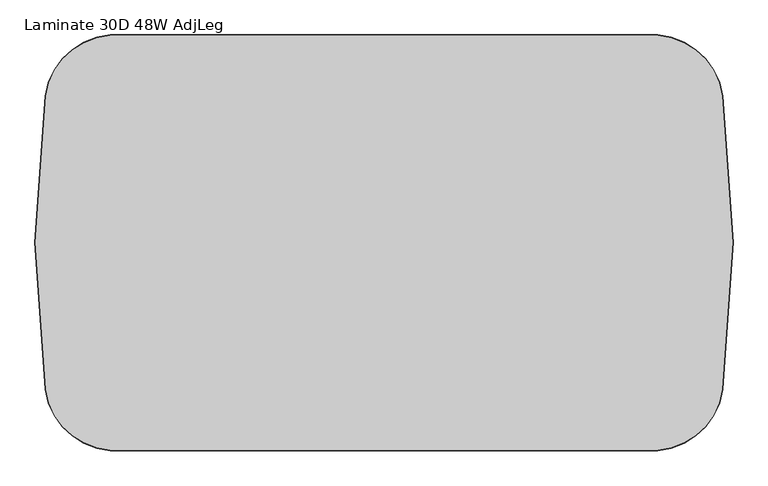
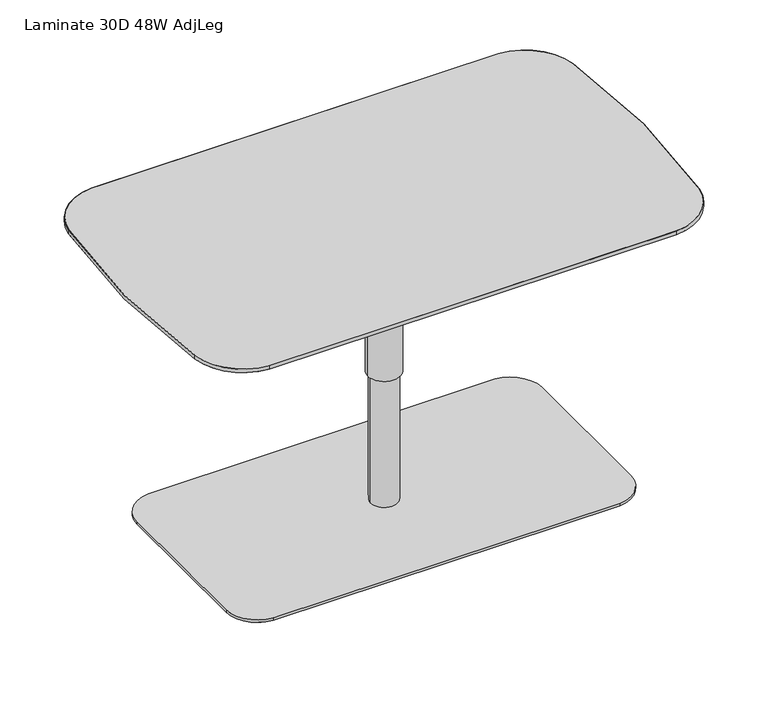
"""IFC4 building model written with IfcOpenShell, lengths in millimetres: furniture geometry, Laminate 30D 48W AdjLeg."""

from ifc_helpers import new_model, si_unit, point, frame, frame_2d, origin, origin_with_axes, origin_2d, place, context, project, spatial, polyline, circle_curve, trimmed, segment, composite_curve, outline, extrude, source, transform, mapped, element, save
from ifc_brep_helpers import plane_surface, cylinder_surface, revolved_surface, advanced_brep


def laminate_30d_48w_adjleg_e43ac8bc(model_context):
    return source(origin(), model_context, "Body", "SolidModel", [
        advanced_brep(
        [(-477.6487193, 362.5571936, 746.1250242), (-591.0027731, 256.3253776, 746.1250242), (-591.0027731, -256.3253776, 746.1250242), (-477.6487193, -362.5571936, 746.1250242), (477.6487193, -362.5571936, 746.1250242), (591.0027731, -256.3253776, 746.1250242), (591.0027731, 256.3253776, 746.1250242), (477.6487193, 362.5571936, 746.1250242), (-477.6487193, 362.5571936, 737.2350145), (-591.0027731, 256.3253776, 737.2350145), (-591.0027731, -256.3253776, 737.2350145), (-477.6487193, -362.5571936, 737.2350145), (477.6487193, -362.5571936, 737.2350145), (591.0027731, -256.3253776, 737.2350145), (591.0027731, 256.3253776, 737.2350145), (477.6487193, 362.5571936, 737.2350145), (-546.9798776, 250.1781627, 720.7249758), (-474.3671769, 318.2284777, 720.7249758), (474.3671769, 318.2284777, 720.7249758), (546.9798776, 250.1781627, 720.7249758), (546.9798776, -250.1781627, 720.7249758), (474.3671769, -318.2284777, 720.7249758), (-474.3671769, -318.2284777, 720.7249758), (-546.9798776, -250.1781627, 720.7249758)],
        [
            (0, 1, circle_curve(frame((-468.5185333, 239.2220742, 746.1250242), z_axis=(0.0, 0.0, 1.0), x_axis=(-1.0, 0.0, 0.0)), 123.6726)),
            (1, 2, circle_curve(frame((1244.655417, 0.0, 746.1250242), z_axis=(0.0, 0.0, 1.0), x_axis=(-1.0, 0.0, 0.0)), 1853.468017)),
            (2, 3, circle_curve(frame((-468.5185333, -239.2220742, 746.1250242), z_axis=(0.0, 0.0, 1.0), x_axis=(-1.0, 0.0, 0.0)), 123.6726)),
            (3, 4, circle_curve(frame((0.0, 6089.7606066, 746.1250242), z_axis=(0.0, 0.0, 1.0), x_axis=(-1.0, 0.0, 0.0)), 6469.9732066)),
            (4, 5, circle_curve(frame((468.5185333, -239.2220742, 746.1250242), z_axis=(0.0, 0.0, 1.0), x_axis=(-1.0, 0.0, 0.0)), 123.6726)),
            (5, 6, circle_curve(frame((-1244.655417, 0.0, 746.1250242), z_axis=(0.0, 0.0, 1.0), x_axis=(-1.0, 0.0, 0.0)), 1853.468017)),
            (6, 7, circle_curve(frame((468.5185333, 239.2220742, 746.1250242), z_axis=(0.0, 0.0, 1.0), x_axis=(-1.0, 0.0, 0.0)), 123.6726)),
            (7, 0, circle_curve(frame((0.0, -6089.7606066, 746.1250242), z_axis=(0.0, 0.0, 1.0), x_axis=(-1.0, 0.0, 0.0)), 6469.9732066)),
            (0, 8),
            (8, 9, circle_curve(frame((-468.5185333, 239.2220742, 737.2350145), z_axis=(0.0, 0.0, 1.0), x_axis=(-1.0, 0.0, 0.0)), 123.6726)),
            (9, 1),
            (9, 10, circle_curve(frame((1244.655417, 0.0, 737.2350145), z_axis=(0.0, 0.0, 1.0), x_axis=(-1.0, 0.0, 0.0)), 1853.468017)),
            (10, 2),
            (10, 11, circle_curve(frame((-468.5185333, -239.2220742, 737.2350145), z_axis=(0.0, 0.0, 1.0), x_axis=(-1.0, 0.0, 0.0)), 123.6726)),
            (11, 3),
            (11, 12, circle_curve(frame((0.0, 6089.7606066, 737.2350145), z_axis=(0.0, 0.0, 1.0), x_axis=(-1.0, 0.0, 0.0)), 6469.9732066)),
            (12, 4),
            (12, 13, circle_curve(frame((468.5185333, -239.2220742, 737.2350145), z_axis=(0.0, 0.0, 1.0), x_axis=(-1.0, 0.0, 0.0)), 123.6726)),
            (13, 5),
            (13, 14, circle_curve(frame((-1244.655417, 0.0, 737.2350145), z_axis=(0.0, 0.0, 1.0), x_axis=(-1.0, 0.0, 0.0)), 1853.468017)),
            (14, 6),
            (14, 15, circle_curve(frame((468.5185333, 239.2220742, 737.2350145), z_axis=(0.0, 0.0, 1.0), x_axis=(-1.0, 0.0, 0.0)), 123.6726)),
            (15, 7),
            (15, 8, circle_curve(frame((0.0, -6089.7606066, 737.2350145), z_axis=(0.0, 0.0, 1.0), x_axis=(-1.0, 0.0, 0.0)), 6469.9732066)),
            (16, 17, circle_curve(frame((-468.5185333, 239.2220742, 720.7249758), z_axis=(0.0, 0.0, -1.0), x_axis=(-0.0738254555401482, 0.9972711778219049, 0.0)), 79.2225879)),
            (17, 18, circle_curve(frame((0.0, -6089.7606066, 720.7249758), z_axis=(0.0, 0.0, -1.0), x_axis=(0.07382545553907618, 0.9972711778219843, 0.0)), 6425.5231945)),
            (18, 19, circle_curve(frame((468.5185333, 239.2220742, 720.7249758), z_axis=(0.0, 0.0, -1.0), x_axis=(0.9903910794541498, 0.1382950098074545, 0.0)), 79.2225879)),
            (19, 20, circle_curve(frame((-1244.655417, 0.0, 720.7249758), z_axis=(0.0, 0.0, -1.0), x_axis=(0.9903910794541096, -0.13829500980774184, 0.0)), 1809.0180049)),
            (20, 21, circle_curve(frame((468.5185333, -239.2220742, 720.7249758), z_axis=(0.0, 0.0, -1.0), x_axis=(0.07382545554015114, -0.9972711778219048, 0.0)), 79.2225879)),
            (21, 22, circle_curve(frame((0.0, 6089.7606066, 720.7249758), z_axis=(0.0, 0.0, -1.0), x_axis=(-0.07382545553923761, -0.9972711778219724, 0.0)), 6425.5231945)),
            (22, 23, circle_curve(frame((-468.5185333, -239.2220742, 720.7249758), z_axis=(0.0, 0.0, -1.0), x_axis=(-0.9903910794541106, -0.13829500980773532, 0.0)), 79.2225879)),
            (23, 16, circle_curve(frame((1244.655417, 0.0, 720.7249758), z_axis=(0.0, 0.0, -1.0), x_axis=(-0.9903910794541485, 0.13829500980746356, 0.0)), 1809.0180049)),
            (23, 10),
            (9, 16),
            (22, 11),
            (21, 12),
            (20, 13),
            (19, 14),
            (18, 15),
            (17, 8),
        ],
        [
            plane_surface(frame((-592.1911333, 239.2220742, 746.1250242), z_axis=(0.0, 0.0, 1.0), x_axis=(0.0, -1.0, 0.0))),
            cylinder_surface(frame((-468.5185333, 239.2220742, 737.2350145), z_axis=(0.0, 0.0, 1.0), x_axis=(-1.0, 0.0, 0.0)), 123.6726),
            cylinder_surface(frame((1244.655417, 0.0, 737.2350145), z_axis=(0.0, 0.0, 1.0), x_axis=(-1.0, 0.0, 0.0)), 1853.468017),
            cylinder_surface(frame((-468.5185333, -239.2220742, 737.2350145), z_axis=(0.0, 0.0, 1.0), x_axis=(-1.0, 0.0, 0.0)), 123.6726),
            cylinder_surface(frame((0.0, 6089.7606066, 737.2350145), z_axis=(0.0, 0.0, 1.0), x_axis=(-1.0, 0.0, 0.0)), 6469.9732066),
            cylinder_surface(frame((468.5185333, -239.2220742, 737.2350145), z_axis=(0.0, 0.0, 1.0), x_axis=(-1.0, 0.0, 0.0)), 123.6726),
            cylinder_surface(frame((-1244.655417, 0.0, 737.2350145), z_axis=(0.0, 0.0, 1.0), x_axis=(-1.0, 0.0, 0.0)), 1853.468017),
            cylinder_surface(frame((468.5185333, 239.2220742, 737.2350145), z_axis=(0.0, 0.0, 1.0), x_axis=(-1.0, 0.0, 0.0)), 123.6726),
            cylinder_surface(frame((0.0, -6089.7606066, 737.2350145), z_axis=(0.0, 0.0, 1.0), x_axis=(-1.0, 0.0, 0.0)), 6469.9732066),
            plane_surface(frame((0.0, 0.0, 720.7249758), z_axis=(0.0, 0.0, -1.0), x_axis=(-0.9972711778219057, -0.07382545554013843, 0.0))),
            revolved_surface(polyline([(-546.9798777720332, -250.1781627596535, 720.7249758), (-591.0027731, -256.3253776, 737.2350145)]), (1244.655417, 0.0, 48.8026083), (0.0, 0.0, 1.0)),
            revolved_surface(polyline([(-474.3671769259758, -318.2284777867152, 720.7249758), (-477.6487193, -362.5571936, 737.2350145)]), (-468.5185333, -239.2220742, 691.2993821), (0.0, 0.0, 1.0)),
            revolved_surface(polyline([(474.36717691845075, -318.2284778198946, 720.7249757999998), (477.6487193, -362.55719359999966, 737.2350145)]), (0.0, 6089.7606066, -1665.9028773), (0.0, 0.0, 1.0)),
            revolved_surface(polyline([(546.9798777226398, -250.17816276309617, 720.7249758), (591.0027731, -256.3253776, 737.2350145)]), (468.5185333, -239.2220742, 691.2993821), (0.0, 0.0, 1.0)),
            revolved_surface(polyline([(546.9798777720332, 250.1781627596535, 720.7249758), (591.0027731, 256.3253776, 737.2350145)]), (-1244.655417, 0.0, 48.8026083), (0.0, 0.0, 1.0)),
            revolved_surface(polyline([(474.3671769259758, 318.2284777867152, 720.7249758), (477.6487193, 362.5571936, 737.2350145)]), (468.5185333, 239.2220742, 691.2993821), (0.0, 0.0, 1.0)),
            revolved_surface(polyline([(-474.36717691845075, 318.2284778198946, 720.7249757999998), (-477.6487193, 362.55719359999966, 737.2350145)]), (0.0, -6089.7606066, -1665.9028773), (0.0, 0.0, 1.0)),
            revolved_surface(polyline([(-546.9798777226398, 250.17816276309617, 720.7249758), (-591.0027731, 256.3253776, 737.2350145)]), (-468.5185333, 239.2220742, 691.2993821), (0.0, 0.0, 1.0)),
        ],
        [
            (0, [[1, 2, 3, 4, 5, 6, 7, 8]]),
            (1, [[-1, 9, 10, 11]]),
            (2, [[-2, -11, 12, 13]]),
            (3, [[-3, -13, 14, 15]]),
            (4, [[-4, -15, 16, 17]]),
            (5, [[-5, -17, 18, 19]]),
            (6, [[-6, -19, 20, 21]]),
            (7, [[-7, -21, 22, 23]]),
            (8, [[-8, -23, 24, -9]]),
            (9, [[25, 26, 27, 28, 29, 30, 31, 32]]),
            (10, [[-32, 33, -12, 34]]),
            (11, [[-31, 35, -14, -33]]),
            (12, [[-30, 36, -16, -35]]),
            (13, [[-29, 37, -18, -36]]),
            (14, [[-28, 38, -20, -37]]),
            (15, [[-27, 39, -22, -38]]),
            (16, [[-26, 40, -24, -39]]),
            (17, [[-25, -34, -10, -40]]),
        ],
    ),
        advanced_brep(
        [(474.4253071, 319.013729, 720.7249758), (-474.4253071, 319.013729, 720.7249758), (-477.7068495, 363.3424449, 737.2350145), (477.7068495, 363.3424449, 737.2350145), (477.6487193, 362.5571936, 737.2350145), (-477.6487193, 362.5571936, 737.2350145), (-474.3671769, 318.2284777, 720.7249758), (474.3671769, 318.2284777, 720.7249758), (477.6487193, 362.5571936, 746.1250242), (-477.6487193, 362.5571936, 746.1250242), (-477.7068495, 363.3424449, 746.1250242), (477.7068495, 363.3424449, 746.1250242), (547.7597115, 250.2870562, 720.7249758), (591.782607, 256.4342711, 737.2350145), (591.0027731, 256.3253776, 737.2350145), (546.9798776, 250.1781627, 720.7249758), (591.0027731, 256.3253776, 746.1250242), (591.782607, 256.4342711, 746.1250242), (547.7597115, -250.2870562, 720.7249758), (591.782607, -256.4342711, 737.2350145), (591.0027731, -256.3253776, 737.2350145), (546.9798776, -250.1781627, 720.7249758), (591.0027731, -256.3253776, 746.1250242), (591.782607, -256.4342711, 746.1250242), (474.4253071, -319.013729, 720.7249758), (477.7068495, -363.3424449, 737.2350145), (477.6487193, -362.5571936, 737.2350145), (474.3671769, -318.2284777, 720.7249758), (477.6487193, -362.5571936, 746.1250242), (477.7068495, -363.3424449, 746.1250242), (-474.4253071, -319.013729, 720.7249758), (-477.7068495, -363.3424449, 737.2350145), (-477.6487193, -362.5571936, 737.2350145), (-474.3671769, -318.2284777, 720.7249758), (-477.6487193, -362.5571936, 746.1250242), (-477.7068495, -363.3424449, 746.1250242), (-547.7597115, -250.2870562, 720.7249758), (-591.782607, -256.4342711, 737.2350145), (-591.0027731, -256.3253776, 737.2350145), (-546.9798776, -250.1781627, 720.7249758), (-591.0027731, -256.3253776, 746.1250242), (-591.782607, -256.4342711, 746.1250242), (-547.7597115, 250.2870562, 720.7249758), (-591.782607, 256.4342711, 737.2350145), (-591.0027731, 256.3253776, 737.2350145), (-546.9798776, 250.1781627, 720.7249758), (-591.0027731, 256.3253776, 746.1250242), (-591.782607, 256.4342711, 746.1250242)],
        [
            (0, 1, circle_curve(frame((0.0, -6089.7606066, 720.7249758), z_axis=(0.0, 0.0, 1.0), x_axis=(-0.07382545554013645, 0.9972711778219059, 0.0)), 6426.3105945)),
            (1, 2),
            (2, 3, circle_curve(frame((0.0, -6089.7606066, 737.2350145), z_axis=(0.0, 0.0, -1.0), x_axis=(-0.07382545554013645, 0.9972711778219059, 0.0)), 6470.7606066)),
            (3, 0),
            (4, 5, circle_curve(frame((0.0, -6089.7606066, 737.2350145), z_axis=(0.0, 0.0, 1.0), x_axis=(-0.07382545554013645, 0.9972711778219059, 0.0)), 6469.9732066)),
            (5, 6),
            (6, 7, circle_curve(frame((0.0, -6089.7606066, 720.7249758), z_axis=(0.0, 0.0, -1.0), x_axis=(-0.07382545554013645, 0.9972711778219059, 0.0)), 6425.5231945)),
            (7, 4),
            (8, 9, circle_curve(frame((0.0, -6089.7606066, 746.1250242), z_axis=(0.0, 0.0, 1.0), x_axis=(-0.07382545554013645, 0.9972711778219059, 0.0)), 6469.9732066)),
            (9, 5),
            (4, 8),
            (2, 10),
            (10, 11, circle_curve(frame((0.0, -6089.7606066, 746.1250242), z_axis=(0.0, 0.0, -1.0), x_axis=(-0.07382545554013645, 0.9972711778219059, 0.0)), 6470.7606066)),
            (11, 3),
            (12, 0, circle_curve(frame((468.5185333, 239.2220742, 720.7249758), z_axis=(0.0, 0.0, 1.0), x_axis=(0.07382545554014008, 0.9972711778219056, 0.0)), 80.0099879)),
            (3, 13, circle_curve(frame((468.5185333, 239.2220742, 737.2350145), z_axis=(0.0, 0.0, -1.0), x_axis=(0.07382545554014008, 0.9972711778219056, 0.0)), 124.46)),
            (13, 12),
            (14, 4, circle_curve(frame((468.5185333, 239.2220742, 737.2350145), z_axis=(0.0, 0.0, 1.0), x_axis=(0.07382545554014008, 0.9972711778219056, 0.0)), 123.6726)),
            (7, 15, circle_curve(frame((468.5185333, 239.2220742, 720.7249758), z_axis=(0.0, 0.0, -1.0), x_axis=(0.07382545554014008, 0.9972711778219056, 0.0)), 79.2225879)),
            (15, 14),
            (16, 8, circle_curve(frame((468.5185333, 239.2220742, 746.1250242), z_axis=(0.0, 0.0, 1.0), x_axis=(0.07382545554014008, 0.9972711778219056, 0.0)), 123.6726)),
            (14, 16),
            (11, 17, circle_curve(frame((468.5185333, 239.2220742, 746.1250242), z_axis=(0.0, 0.0, -1.0), x_axis=(0.07382545554014008, 0.9972711778219056, 0.0)), 124.46)),
            (17, 13),
            (18, 12, circle_curve(frame((-1244.655417, 0.0, 720.7249758), z_axis=(0.0, 0.0, 1.0), x_axis=(0.9903910794541123, 0.13829500980772333, 0.0)), 1809.8054049)),
            (13, 19, circle_curve(frame((-1244.655417, 0.0, 737.2350145), z_axis=(0.0, 0.0, -1.0), x_axis=(0.9903910794541123, 0.13829500980772333, 0.0)), 1854.255417)),
            (19, 18),
            (20, 14, circle_curve(frame((-1244.655417, 0.0, 737.2350145), z_axis=(0.0, 0.0, 1.0), x_axis=(0.9903910794541123, 0.13829500980772333, 0.0)), 1853.468017)),
            (15, 21, circle_curve(frame((-1244.655417, 0.0, 720.7249758), z_axis=(0.0, 0.0, -1.0), x_axis=(0.9903910794541123, 0.13829500980772333, 0.0)), 1809.0180049)),
            (21, 20),
            (22, 16, circle_curve(frame((-1244.655417, 0.0, 746.1250242), z_axis=(0.0, 0.0, 1.0), x_axis=(0.9903910794541123, 0.13829500980772333, 0.0)), 1853.468017)),
            (20, 22),
            (17, 23, circle_curve(frame((-1244.655417, 0.0, 746.1250242), z_axis=(0.0, 0.0, -1.0), x_axis=(0.9903910794541123, 0.13829500980772333, 0.0)), 1854.255417)),
            (23, 19),
            (24, 18, circle_curve(frame((468.5185333, -239.2220742, 720.7249758), z_axis=(0.0, 0.0, 1.0), x_axis=(0.9903910794541254, -0.1382950098076292, 0.0)), 80.0099879)),
            (19, 25, circle_curve(frame((468.5185333, -239.2220742, 737.2350145), z_axis=(0.0, 0.0, -1.0), x_axis=(0.9903910794541254, -0.1382950098076292, 0.0)), 124.46)),
            (25, 24),
            (26, 20, circle_curve(frame((468.5185333, -239.2220742, 737.2350145), z_axis=(0.0, 0.0, 1.0), x_axis=(0.9903910794541254, -0.1382950098076292, 0.0)), 123.6726)),
            (21, 27, circle_curve(frame((468.5185333, -239.2220742, 720.7249758), z_axis=(0.0, 0.0, -1.0), x_axis=(0.9903910794541254, -0.1382950098076292, 0.0)), 79.2225879)),
            (27, 26),
            (28, 22, circle_curve(frame((468.5185333, -239.2220742, 746.1250242), z_axis=(0.0, 0.0, 1.0), x_axis=(0.9903910794541254, -0.1382950098076292, 0.0)), 123.6726)),
            (26, 28),
            (23, 29, circle_curve(frame((468.5185333, -239.2220742, 746.1250242), z_axis=(0.0, 0.0, -1.0), x_axis=(0.9903910794541254, -0.1382950098076292, 0.0)), 124.46)),
            (29, 25),
            (30, 24, circle_curve(frame((0.0, 6089.7606066, 720.7249758), z_axis=(0.0, 0.0, 1.0), x_axis=(0.07382545554014276, -0.9972711778219053, 0.0)), 6426.3105945)),
            (25, 31, circle_curve(frame((0.0, 6089.7606066, 737.2350145), z_axis=(0.0, 0.0, -1.0), x_axis=(0.07382545554014276, -0.9972711778219053, 0.0)), 6470.7606066)),
            (31, 30),
            (32, 26, circle_curve(frame((0.0, 6089.7606066, 737.2350145), z_axis=(0.0, 0.0, 1.0), x_axis=(0.07382545554014276, -0.9972711778219053, 0.0)), 6469.9732066)),
            (27, 33, circle_curve(frame((0.0, 6089.7606066, 720.7249758), z_axis=(0.0, 0.0, -1.0), x_axis=(0.07382545554014276, -0.9972711778219053, 0.0)), 6425.5231945)),
            (33, 32),
            (34, 28, circle_curve(frame((0.0, 6089.7606066, 746.1250242), z_axis=(0.0, 0.0, 1.0), x_axis=(0.07382545554014276, -0.9972711778219053, 0.0)), 6469.9732066)),
            (32, 34),
            (29, 35, circle_curve(frame((0.0, 6089.7606066, 746.1250242), z_axis=(0.0, 0.0, -1.0), x_axis=(0.07382545554014276, -0.9972711778219053, 0.0)), 6470.7606066)),
            (35, 31),
            (36, 30, circle_curve(frame((-468.5185333, -239.2220742, 720.7249758), z_axis=(0.0, 0.0, 1.0), x_axis=(-0.07382545554013932, -0.9972711778219057, 0.0)), 80.0099879)),
            (31, 37, circle_curve(frame((-468.5185333, -239.2220742, 737.2350145), z_axis=(0.0, 0.0, -1.0), x_axis=(-0.07382545554013932, -0.9972711778219057, 0.0)), 124.46)),
            (37, 36),
            (38, 32, circle_curve(frame((-468.5185333, -239.2220742, 737.2350145), z_axis=(0.0, 0.0, 1.0), x_axis=(-0.07382545554013932, -0.9972711778219057, 0.0)), 123.6726)),
            (33, 39, circle_curve(frame((-468.5185333, -239.2220742, 720.7249758), z_axis=(0.0, 0.0, -1.0), x_axis=(-0.07382545554013932, -0.9972711778219057, 0.0)), 79.2225879)),
            (39, 38),
            (40, 34, circle_curve(frame((-468.5185333, -239.2220742, 746.1250242), z_axis=(0.0, 0.0, 1.0), x_axis=(-0.07382545554013932, -0.9972711778219057, 0.0)), 123.6726)),
            (38, 40),
            (35, 41, circle_curve(frame((-468.5185333, -239.2220742, 746.1250242), z_axis=(0.0, 0.0, -1.0), x_axis=(-0.07382545554013932, -0.9972711778219057, 0.0)), 124.46)),
            (41, 37),
            (42, 36, circle_curve(frame((1244.655417, 0.0, 720.7249758), z_axis=(0.0, 0.0, 1.0), x_axis=(-0.9903910794541114, -0.1382950098077296, 0.0)), 1809.8054049)),
            (37, 43, circle_curve(frame((1244.655417, 0.0, 737.2350145), z_axis=(0.0, 0.0, -1.0), x_axis=(-0.9903910794541114, -0.1382950098077296, 0.0)), 1854.255417)),
            (43, 42),
            (44, 38, circle_curve(frame((1244.655417, 0.0, 737.2350145), z_axis=(0.0, 0.0, 1.0), x_axis=(-0.9903910794541114, -0.1382950098077296, 0.0)), 1853.468017)),
            (39, 45, circle_curve(frame((1244.655417, 0.0, 720.7249758), z_axis=(0.0, 0.0, -1.0), x_axis=(-0.9903910794541114, -0.1382950098077296, 0.0)), 1809.0180049)),
            (45, 44),
            (46, 40, circle_curve(frame((1244.655417, 0.0, 746.1250242), z_axis=(0.0, 0.0, 1.0), x_axis=(-0.9903910794541114, -0.1382950098077296, 0.0)), 1853.468017)),
            (44, 46),
            (41, 47, circle_curve(frame((1244.655417, 0.0, 746.1250242), z_axis=(0.0, 0.0, -1.0), x_axis=(-0.9903910794541114, -0.1382950098077296, 0.0)), 1854.255417)),
            (47, 43),
            (1, 42, circle_curve(frame((-468.5185333, 239.2220742, 720.7249758), z_axis=(0.0, 0.0, 1.0), x_axis=(-0.9903910794541131, 0.1382950098077177, 0.0)), 80.0099879)),
            (43, 2, circle_curve(frame((-468.5185333, 239.2220742, 737.2350145), z_axis=(0.0, 0.0, -1.0), x_axis=(-0.9903910794541131, 0.1382950098077177, 0.0)), 124.46)),
            (6, 45, circle_curve(frame((-468.5185333, 239.2220742, 720.7249758), z_axis=(0.0, 0.0, 1.0), x_axis=(-0.9903910794541131, 0.1382950098077177, 0.0)), 79.2225879)),
            (5, 44, circle_curve(frame((-468.5185333, 239.2220742, 737.2350145), z_axis=(0.0, 0.0, 1.0), x_axis=(-0.9903910794541131, 0.1382950098077177, 0.0)), 123.6726)),
            (9, 46, circle_curve(frame((-468.5185333, 239.2220742, 746.1250242), z_axis=(0.0, 0.0, 1.0), x_axis=(-0.9903910794541131, 0.1382950098077177, 0.0)), 123.6726)),
            (10, 47, circle_curve(frame((-468.5185333, 239.2220742, 746.1250242), z_axis=(0.0, 0.0, 1.0), x_axis=(-0.9903910794541131, 0.1382950098077177, 0.0)), 124.46)),
        ],
        [
            revolved_surface(polyline([(-477.7068495, 363.3424449, 737.2350145), (-474.4253071, 319.013729, 720.7249758)]), (0.0, -6089.7606066, 720.7249758), (0.0, 0.0, -1.0)),
            revolved_surface(polyline([(-474.3671769, 318.2284777, 720.7249758), (-477.6487193, 362.5571936, 737.2350145)]), (0.0, -6089.7606066, 720.7249758), (0.0, 0.0, -1.0)),
            revolved_surface(polyline([(-477.6487193097223, 362.55719362215495, 737.2350145), (-477.6487193097223, 362.55719362215495, 746.1250242)]), (0.0, -6089.7606066, 720.7249758), (0.0, 0.0, -1.0)),
            cylinder_surface(frame((0.0, -6089.7606066, 720.7249758), z_axis=(0.0, 0.0, -1.0), x_axis=(-0.07382545554013645, 0.9972711778219059, 0.0)), 6470.7606066),
            revolved_surface(polyline([(477.7068495, 363.3424449, 737.2350145), (474.4253071, 319.013729, 720.7249758)]), (468.5185333, 239.2220742, 720.7249758), (0.0, 0.0, -1.0)),
            revolved_surface(polyline([(474.3671769, 318.2284777, 720.7249758), (477.6487193, 362.5571936, 737.2350145)]), (468.5185333, 239.2220742, 720.7249758), (0.0, 0.0, -1.0)),
            revolved_surface(polyline([(477.64871933283354, 362.5571936662974, 737.2350145), (477.64871933283354, 362.5571936662974, 746.1250242)]), (468.5185333, 239.2220742, 720.7249758), (0.0, 0.0, -1.0)),
            cylinder_surface(frame((468.5185333, 239.2220742, 720.7249758), z_axis=(0.0, 0.0, -1.0), x_axis=(0.07382545554014008, 0.9972711778219056, 0.0)), 124.46),
            revolved_surface(polyline([(591.782607, 256.4342711, 737.2350145), (547.7597115, 250.2870562, 720.7249758)]), (-1244.655417, 0.0, 720.7249758), (0.0, 0.0, -1.0)),
            revolved_surface(polyline([(546.9798776, 250.1781627, 720.7249758), (591.0027731, 256.3253776, 737.2350145)]), (-1244.655417, 0.0, 720.7249758), (0.0, 0.0, -1.0)),
            revolved_surface(polyline([(591.002773090303, 256.3253775893165, 737.2350145), (591.002773090303, 256.3253775893165, 746.1250242)]), (-1244.655417, 0.0, 720.7249758), (0.0, 0.0, -1.0)),
            cylinder_surface(frame((-1244.655417, 0.0, 720.7249758), z_axis=(0.0, 0.0, -1.0), x_axis=(0.9903910794541123, 0.13829500980772333, 0.0)), 1854.255417),
            revolved_surface(polyline([(591.782607, -256.4342711, 737.2350145), (547.7597115, -250.2870562, 720.7249758)]), (468.5185333, -239.2220742, 720.7249758), (0.0, 0.0, -1.0)),
            revolved_surface(polyline([(546.9798776, -250.1781627, 720.7249758), (591.0027731, -256.3253776, 737.2350145)]), (468.5185333, -239.2220742, 720.7249758), (0.0, 0.0, -1.0)),
            revolved_surface(polyline([(591.0027731128982, -256.325377629935, 737.2350145), (591.0027731128982, -256.325377629935, 746.1250242)]), (468.5185333, -239.2220742, 720.7249758), (0.0, 0.0, -1.0)),
            cylinder_surface(frame((468.5185333, -239.2220742, 720.7249758), z_axis=(0.0, 0.0, -1.0), x_axis=(0.9903910794541254, -0.1382950098076292, 0.0)), 124.46),
            revolved_surface(polyline([(477.7068495, -363.3424449, 737.2350145), (474.4253071, -319.013729, 720.7249758)]), (0.0, 6089.7606066, 720.7249758), (0.0, 0.0, -1.0)),
            revolved_surface(polyline([(474.3671769, -318.2284777, 720.7249758), (477.6487193, -362.5571936, 737.2350145)]), (0.0, 6089.7606066, 720.7249758), (0.0, 0.0, -1.0)),
            revolved_surface(polyline([(477.6487193097632, -362.5571936221513, 737.2350145), (477.6487193097632, -362.5571936221513, 746.1250242)]), (0.0, 6089.7606066, 720.7249758), (0.0, 0.0, -1.0)),
            cylinder_surface(frame((0.0, 6089.7606066, 720.7249758), z_axis=(0.0, 0.0, -1.0), x_axis=(0.07382545554014276, -0.9972711778219053, 0.0)), 6470.7606066),
            revolved_surface(polyline([(-477.7068495, -363.3424449, 737.2350145), (-474.4253071, -319.013729, 720.7249758)]), (-468.5185333, -239.2220742, 720.7249758), (0.0, 0.0, -1.0)),
            revolved_surface(polyline([(-474.3671769, -318.2284777, 720.7249758), (-477.6487193, -362.5571936, 737.2350145)]), (-468.5185333, -239.2220742, 720.7249758), (0.0, 0.0, -1.0)),
            revolved_surface(polyline([(-477.6487193328334, -362.5571936662974, 737.2350145), (-477.6487193328334, -362.5571936662974, 746.1250242)]), (-468.5185333, -239.2220742, 720.7249758), (0.0, 0.0, -1.0)),
            cylinder_surface(frame((-468.5185333, -239.2220742, 720.7249758), z_axis=(0.0, 0.0, -1.0), x_axis=(-0.07382545554013932, -0.9972711778219057, 0.0)), 124.46),
            revolved_surface(polyline([(-591.782607, -256.4342711, 737.2350145), (-547.7597115, -250.2870562, 720.7249758)]), (1244.655417, 0.0, 720.7249758), (0.0, 0.0, -1.0)),
            revolved_surface(polyline([(-546.9798776, -250.1781627, 720.7249758), (-591.0027731, -256.3253776, 737.2350145)]), (1244.655417, 0.0, 720.7249758), (0.0, 0.0, -1.0)),
            revolved_surface(polyline([(-591.0027730903014, -256.3253775893281, 737.2350145), (-591.0027730903014, -256.3253775893281, 746.1250242)]), (1244.655417, 0.0, 720.7249758), (0.0, 0.0, -1.0)),
            cylinder_surface(frame((1244.655417, 0.0, 720.7249758), z_axis=(0.0, 0.0, -1.0), x_axis=(-0.9903910794541114, -0.1382950098077296, 0.0)), 1854.255417),
            revolved_surface(polyline([(-591.782607, 256.4342711, 737.2350145), (-547.7597115, 250.2870562, 720.7249758)]), (-468.5185333, 239.2220742, 720.7249758), (0.0, 0.0, -1.0)),
            plane_surface(frame((-468.5185333, 239.2220742, 720.7249758), z_axis=(0.0, 0.0, -1.0), x_axis=(-0.9903910794541131, 0.1382950098077177, 0.0))),
            revolved_surface(polyline([(-546.9798776, 250.1781627, 720.7249758), (-591.0027731, 256.3253776, 737.2350145)]), (-468.5185333, 239.2220742, 720.7249758), (0.0, 0.0, -1.0)),
            revolved_surface(polyline([(-591.0027731128968, 256.32537762994593, 737.2350145), (-591.0027731128968, 256.32537762994593, 746.1250242)]), (-468.5185333, 239.2220742, 720.7249758), (0.0, 0.0, -1.0)),
            plane_surface(frame((-468.5185333, 239.2220742, 746.1250242), z_axis=(0.0, 0.0, 1.0), x_axis=(-0.9903910794541131, 0.1382950098077177, 0.0))),
            cylinder_surface(frame((-468.5185333, 239.2220742, 720.7249758), z_axis=(0.0, 0.0, -1.0), x_axis=(-0.9903910794541131, 0.1382950098077177, 0.0)), 124.46),
        ],
        [
            (0, [[1, 2, 3, 4]]),
            (1, [[5, 6, 7, 8]]),
            (2, [[9, 10, -5, 11]]),
            (3, [[-3, 12, 13, 14]]),
            (4, [[15, -4, 16, 17]]),
            (5, [[18, -8, 19, 20]]),
            (6, [[21, -11, -18, 22]]),
            (7, [[-16, -14, 23, 24]]),
            (8, [[25, -17, 26, 27]]),
            (9, [[28, -20, 29, 30]]),
            (10, [[31, -22, -28, 32]]),
            (11, [[-26, -24, 33, 34]]),
            (12, [[35, -27, 36, 37]]),
            (13, [[38, -30, 39, 40]]),
            (14, [[41, -32, -38, 42]]),
            (15, [[-36, -34, 43, 44]]),
            (16, [[45, -37, 46, 47]]),
            (17, [[48, -40, 49, 50]]),
            (18, [[51, -42, -48, 52]]),
            (19, [[-46, -44, 53, 54]]),
            (20, [[55, -47, 56, 57]]),
            (21, [[58, -50, 59, 60]]),
            (22, [[61, -52, -58, 62]]),
            (23, [[-56, -54, 63, 64]]),
            (24, [[65, -57, 66, 67]]),
            (25, [[68, -60, 69, 70]]),
            (26, [[71, -62, -68, 72]]),
            (27, [[-66, -64, 73, 74]]),
            (28, [[75, -67, 76, -2]]),
            (29, [[-55, -65, -75, -1, -15, -25, -35, -45], [77, -69, -59, -49, -39, -29, -19, -7]]),
            (30, [[78, -70, -77, -6]]),
            (31, [[79, -72, -78, -10]]),
            (32, [[80, -73, -63, -53, -43, -33, -23, -13], [-61, -71, -79, -9, -21, -31, -41, -51]]),
            (33, [[-76, -74, -80, -12]]),
        ],
    ),
        extrude(outline(composite_curve([segment(trimmed(circle_curve(origin_2d(), 31.7499992), [point((31.7499992, 0.0))], [point((-31.7499992, 0.0))], False, "CARTESIAN"), True, "CONTINUOUS"), segment(trimmed(circle_curve(origin_2d(), 31.7499992), [point((-31.7499992, 0.0))], [point((31.7499992, 0.0))], False, "CARTESIAN"), True, "CONTINUOUS")], self_intersect=False)), frame((0.0, 0.0, 28.575), z_axis=(0.0, 0.0, 1.0), x_axis=(1.0, 0.0, 0.0)), (0.0, 0.0, 1.0), 317.4999879),
        extrude(outline(composite_curve([segment(trimmed(circle_curve(frame_2d((399.6162416, 178.3388118)), 76.2), [point((407.156239, 254.1648525))], [point((475.7400041, 181.7465642))], False, "CARTESIAN"), True, "CONTINUOUS"), segment(trimmed(circle_curve(frame_2d((-3584.1889396, 0.0)), 4063.9949362), [point((475.7400041, 181.7465642))], [point((475.7400041, -181.7465642))], False, "CARTESIAN"), True, "CONTINUOUS"), segment(trimmed(circle_curve(frame_2d((399.6162416, -178.3388118)), 76.2), [point((475.7400041, -181.7465642))], [point((407.156239, -254.1648525))], False, "CARTESIAN"), True, "CONTINUOUS"), segment(trimmed(circle_curve(frame_2d((0.0, 3840.4049096)), 4114.763388), [point((407.156239, -254.1648525))], [point((-407.156239, -254.1648525))], False, "CARTESIAN"), True, "CONTINUOUS"), segment(trimmed(circle_curve(frame_2d((-399.6162416, -178.3388118)), 76.2), [point((-407.156239, -254.1648525))], [point((-475.7400041, -181.7465642))], False, "CARTESIAN"), True, "CONTINUOUS"), segment(trimmed(circle_curve(frame_2d((3584.1889396, 0.0)), 4063.9949362), [point((-475.7400041, -181.7465642))], [point((-475.7400041, 181.7465642))], False, "CARTESIAN"), True, "CONTINUOUS"), segment(trimmed(circle_curve(frame_2d((-399.6162416, 178.3388118)), 76.2), [point((-475.7400041, 181.7465642))], [point((-407.156239, 254.1648525))], False, "CARTESIAN"), True, "CONTINUOUS"), segment(trimmed(circle_curve(frame_2d((0.0, -3840.4049096)), 4114.763388), [point((-407.156239, 254.1648525))], [point((407.156239, 254.1648525))], False, "CARTESIAN"), True, "CONTINUOUS")], self_intersect=False)), frame((0.0, 0.0, 22.2249992), z_axis=(0.0, 0.0, 1.0), x_axis=(1.0, 0.0, 0.0)), (0.0, 0.0, 1.0), 6.3500008),
        extrude(outline(composite_curve([segment(trimmed(circle_curve(frame_2d((-396.6844896, 174.9678994)), 49.2124939), [point((-347.4719956, 174.9678994))], [point((-445.8969835, 174.9678994))], False, "CARTESIAN"), True, "CONTINUOUS"), segment(trimmed(circle_curve(frame_2d((-396.6844896, 174.9678994)), 49.2124939), [point((-445.8969835, 174.9678994))], [point((-347.4719956, 174.9678994))], False, "CARTESIAN"), True, "CONTINUOUS")], self_intersect=False)), origin_with_axes(), (0.0, 0.0, 1.0), 22.2249992),
        extrude(outline(composite_curve([segment(trimmed(circle_curve(frame_2d((-396.6844896, -174.9678994)), 49.2124939), [point((-347.4719956, -174.9678994))], [point((-445.8969835, -174.9678994))], False, "CARTESIAN"), True, "CONTINUOUS"), segment(trimmed(circle_curve(frame_2d((-396.6844896, -174.9678994)), 49.2124939), [point((-445.8969835, -174.9678994))], [point((-347.4719956, -174.9678994))], False, "CARTESIAN"), True, "CONTINUOUS")], self_intersect=False)), origin_with_axes(), (0.0, 0.0, 1.0), 22.2249992),
        extrude(outline(composite_curve([segment(trimmed(circle_curve(frame_2d((396.6844896, 174.9678994)), 49.2124939), [point((445.8969835, 174.9678994))], [point((347.4719956, 174.9678994))], False, "CARTESIAN"), True, "CONTINUOUS"), segment(trimmed(circle_curve(frame_2d((396.6844896, 174.9678994)), 49.2124939), [point((347.4719956, 174.9678994))], [point((445.8969835, 174.9678994))], False, "CARTESIAN"), True, "CONTINUOUS")], self_intersect=False)), origin_with_axes(), (0.0, 0.0, 1.0), 22.2249992),
        extrude(outline(composite_curve([segment(trimmed(circle_curve(frame_2d((396.6844896, -174.9678994)), 49.2124939), [point((445.8969835, -174.9678994))], [point((347.4719956, -174.9678994))], False, "CARTESIAN"), True, "CONTINUOUS"), segment(trimmed(circle_curve(frame_2d((396.6844896, -174.9678994)), 49.2124939), [point((347.4719956, -174.9678994))], [point((445.8969835, -174.9678994))], False, "CARTESIAN"), True, "CONTINUOUS")], self_intersect=False)), origin_with_axes(), (0.0, 0.0, 1.0), 22.2249992),
        extrude(outline(polyline([(126.999997, 126.999997), (126.999997, -126.999997), (-126.999997, -126.999997), (-126.999997, 126.999997), (126.999997, 126.999997)])), frame((0.0, 0.0, 714.375), z_axis=(0.0, 0.0, 1.0), x_axis=(1.0, 0.0, 0.0)), (0.0, 0.0, 1.0), 6.3499758),
        extrude(outline(composite_curve([segment(trimmed(circle_curve(origin_2d(), 38.1), [point((38.1, 0.0))], [point((-38.1, 0.0))], False, "CARTESIAN"), True, "CONTINUOUS"), segment(trimmed(circle_curve(origin_2d(), 38.1), [point((-38.1, 0.0))], [point((38.1, 0.0))], False, "CARTESIAN"), True, "CONTINUOUS")], self_intersect=False)), frame((0.0, 0.0, 346.0749879), z_axis=(0.0, 0.0, 1.0), x_axis=(1.0, 0.0, 0.0)), (0.0, 0.0, 1.0), 368.3000121),
    ])


if __name__ == "__main__":
    model = new_model("IFC4")
    model_context = context("Model", 3, world=origin())
    ifc_project = project(units=[si_unit("LENGTHUNIT", "METRE", prefix="MILLI")], contexts=[model_context])
    site = spatial("IfcSite", under=ifc_project)
    building = spatial("IfcBuilding", under=site)
    placement = place(None, origin())
    laminate_30d_48w_adjleg_shape = laminate_30d_48w_adjleg_e43ac8bc(model_context)
    element("IfcFurniture", 1, ObjectType="Laminate 30D 48W AdjLeg", at=placement, inside=building, context=model_context, shape_type="MappedRepresentation", body=[
        mapped(laminate_30d_48w_adjleg_shape, transform((0.0, 0.0, 0.0), x_axis=(1.0, 0.0, 0.0), y_axis=(0.0, 1.0, 0.0), z_axis=(0.0, 0.0, 1.0))),
    ])
    save(model, "model.ifc")
